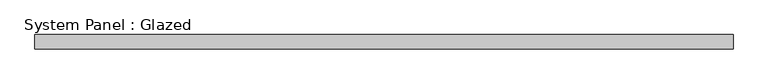
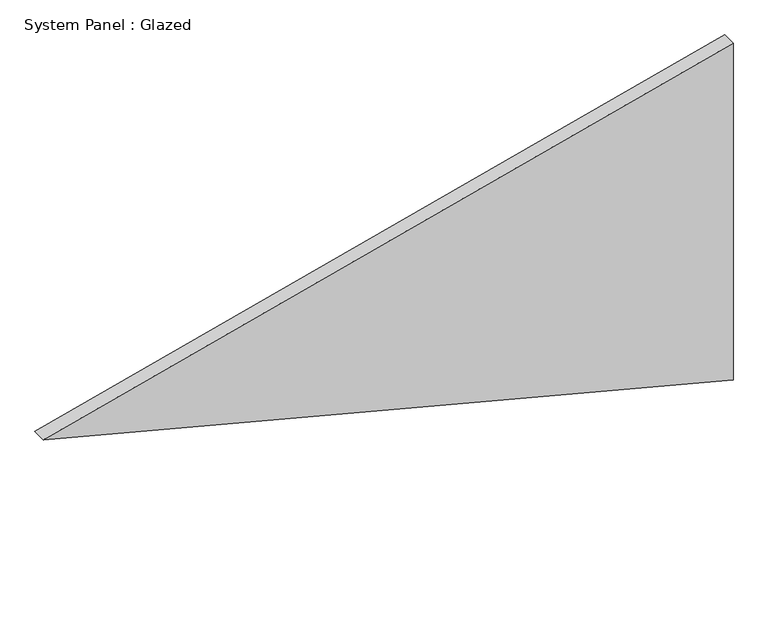
"""IFC4 building model written with IfcOpenShell, lengths in millimetres: plate geometry, System Panel : Glazed."""

from ifc_helpers import new_model, si_unit, frame, origin, place, context, project, spatial, polyline, outline, extrude, source, transform, mapped, element, save


def system_panel_glazed_38ffaf21(model_context):
    return source(origin(), model_context, "Body", "SweptSolid", [
        extrude(outline(polyline([(377.9122659, -731.9111177), (0.0, 731.9111177), (755.8245318, 731.9111177), (377.9122659, -731.9111177)])), frame((0.0, -36.8101562, 0.0), z_axis=(0.0, 1.0, 0.0), x_axis=(0.0, 0.0, 1.0)), (0.0, 0.0, 1.0), 30.1625),
    ])


if __name__ == "__main__":
    model = new_model("IFC4")
    model_context = context("Model", 3, world=origin())
    ifc_project = project(units=[si_unit("LENGTHUNIT", "METRE", prefix="MILLI")], contexts=[model_context])
    site = spatial("IfcSite", under=ifc_project)
    building = spatial("IfcBuilding", under=site)
    placement = place(None, origin())
    system_panel_glazed_shape = system_panel_glazed_38ffaf21(model_context)
    element("IfcPlate", 1, ObjectType="System Panel : Glazed", at=placement, inside=building, context=model_context, shape_type="MappedRepresentation", body=[
        mapped(system_panel_glazed_shape, transform((0.0, 0.0, 0.0), x_axis=(1.0, 0.0, 0.0), y_axis=(0.0, 1.0, 0.0), z_axis=(0.0, 0.0, 1.0))),
    ])
    save(model, "model.ifc")
